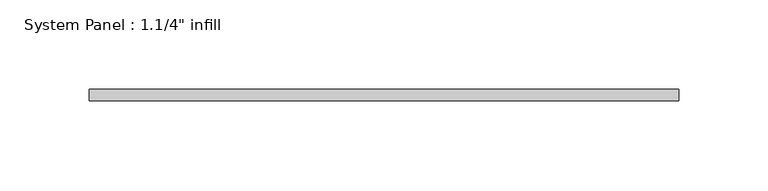
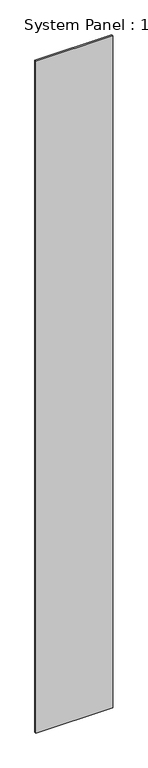
"""IFC4 building model written with IfcOpenShell, lengths in millimetres: plate geometry."""

from ifc_helpers import new_model, si_unit, origin, origin_with_axes, place, context, project, spatial, polyline, outline, extrude, source, transform, mapped, element, save


def plate_d17c6477(model_context):
    return source(origin(), model_context, "Body", "SweptSolid", [
        extrude(outline(polyline([(165.1, -6.2507813), (-165.1, -6.2507813), (-165.1, 0.0992187), (165.1, 0.0992187), (165.1, -6.2507813)])), origin_with_axes(), (0.0, 0.0, 1.0), 3048.0),
    ])


if __name__ == "__main__":
    model = new_model("IFC4")
    model_context = context("Model", 3, world=origin())
    ifc_project = project(units=[si_unit("LENGTHUNIT", "METRE", prefix="MILLI")], contexts=[model_context])
    site = spatial("IfcSite", under=ifc_project)
    building = spatial("IfcBuilding", under=site)
    placement = place(None, origin())
    plate_shape = plate_d17c6477(model_context)
    element("IfcPlate", 1, ObjectType="System Panel : 1.1/4\" infill", at=placement, inside=building, context=model_context, shape_type="MappedRepresentation", body=[
        mapped(plate_shape, transform((0.0, 0.0, 0.0), x_axis=(1.0, 0.0, 0.0), y_axis=(0.0, 1.0, 0.0), z_axis=(0.0, 0.0, 1.0))),
    ])
    save(model, "model.ifc")
